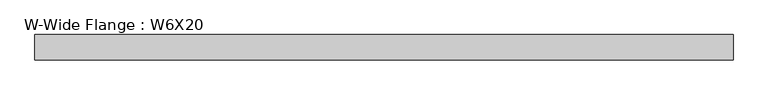
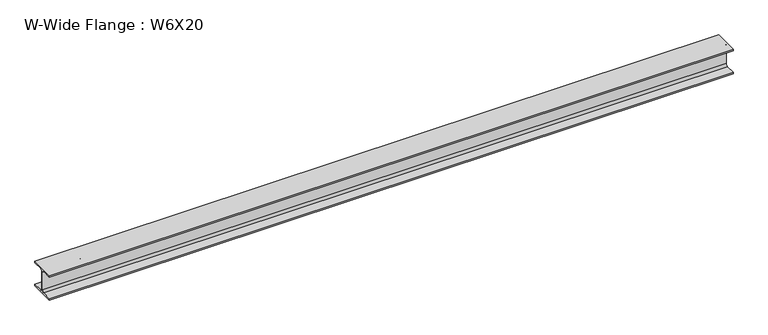
"""IFC4 building model written with IfcOpenShell, lengths in millimetres: beam geometry, W-Wide Flange : W6X20."""

from ifc_helpers import new_model, si_unit, point, frame, frame_2d, origin, place, context, project, spatial, polyline, circle_curve, trimmed, segment, composite_curve, outline, extrude, source, transform, mapped, element, save


def w_wide_flange_w6x20_e1eedac2(model_context):
    return source(origin(), model_context, "Body", "SweptSolid", [
        extrude(outline(composite_curve([segment(polyline([(76.4480469, -69.5027344), (76.4480469, -78.7300781), (-76.4480469, -78.7300781), (-76.4480469, -69.5027344), (-16.3214844, -69.5027344)]), True, "CONTINUOUS"), segment(trimmed(circle_curve(frame_2d((-16.3214844, -56.5050781)), 12.9976563), [point((-16.3214844, -69.5027344))], [point((-3.3238281, -56.5050781))], True, "CARTESIAN"), True, "CONTINUOUS"), segment(polyline([(-3.3238281, -56.5050781), (-3.3238281, 56.5050781)]), True, "CONTINUOUS"), segment(trimmed(circle_curve(frame_2d((-16.3214844, 56.5050781)), 12.9976563), [point((-3.3238281, 56.5050781))], [point((-16.3214844, 69.5027344))], True, "CARTESIAN"), True, "CONTINUOUS"), segment(polyline([(-16.3214844, 69.5027344), (-76.4480469, 69.5027344), (-76.4480469, 78.7300781), (76.4480469, 78.7300781), (76.4480469, 69.5027344), (16.3214844, 69.5027344)]), True, "CONTINUOUS"), segment(trimmed(circle_curve(frame_2d((16.3214844, 56.5050781)), 12.9976563), [point((16.3214844, 69.5027344))], [point((3.3238281, 56.5050781))], True, "CARTESIAN"), True, "CONTINUOUS"), segment(polyline([(3.3238281, 56.5050781), (3.3238281, -56.5050781)]), True, "CONTINUOUS"), segment(trimmed(circle_curve(frame_2d((16.3214844, -56.5050781)), 12.9976563), [point((3.3238281, -56.5050781))], [point((16.3214844, -69.5027344))], True, "CARTESIAN"), True, "CONTINUOUS"), segment(polyline([(16.3214844, -69.5027344), (76.4480469, -69.5027344)]), True, "CONTINUOUS")], self_intersect=False)), frame((-2051.05, 0.0, 0.0), z_axis=(1.0, 0.0, 0.0), x_axis=(0.0, 1.0, 0.0)), (0.0, 0.0, 1.0), 4184.65),
    ])


if __name__ == "__main__":
    model = new_model("IFC4")
    model_context = context("Model", 3, world=origin())
    ifc_project = project(units=[si_unit("LENGTHUNIT", "METRE", prefix="MILLI")], contexts=[model_context])
    site = spatial("IfcSite", under=ifc_project)
    building = spatial("IfcBuilding", under=site)
    placement = place(None, origin())
    w_wide_flange_w6x20_shape = w_wide_flange_w6x20_e1eedac2(model_context)
    element("IfcBeam", 1, ObjectType="W-Wide Flange : W6X20", at=placement, inside=building, context=model_context, shape_type="MappedRepresentation", body=[
        mapped(w_wide_flange_w6x20_shape, transform((0.0, 0.0, 0.0), x_axis=(1.0, 0.0, 0.0), y_axis=(0.0, 1.0, 0.0), z_axis=(0.0, 0.0, 1.0))),
    ])
    save(model, "model.ifc")
